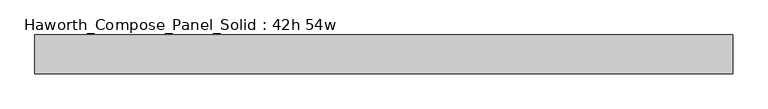
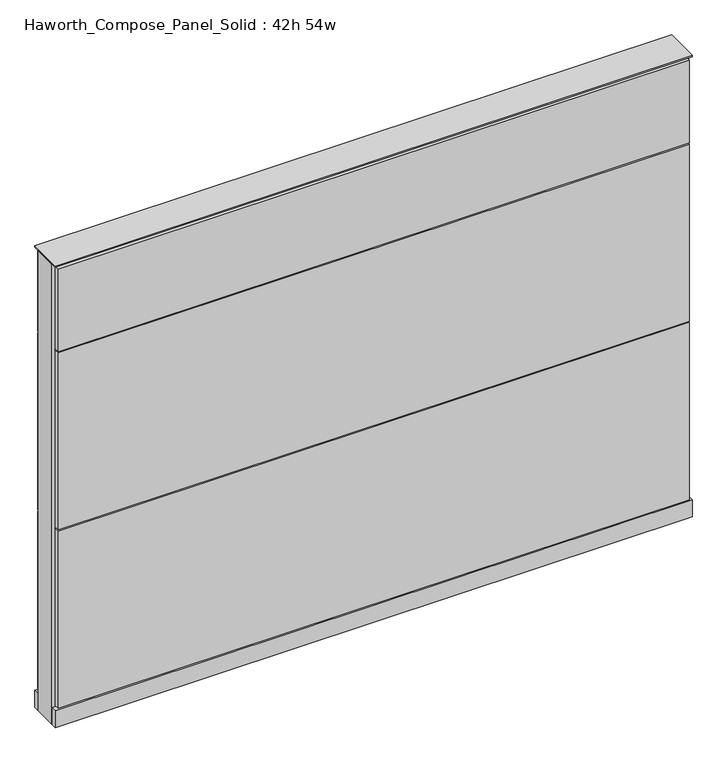
"""IFC4 building model written with IfcOpenShell, lengths in millimetres: furniture geometry, Haworth_Compose_Panel_Solid : 42h 54w."""

from ifc_helpers import new_model, si_unit, point, frame, frame_2d, origin, origin_with_axes, place, context, project, spatial, polyline, circle_curve, trimmed, segment, composite_curve, outline, extrude, source, transform, mapped, element, save


def haworth_compose_panel_solid_42h_54w_6c2d6090(model_context):
    return source(origin(), model_context, "Body", "SweptSolid", [
        extrude(outline(composite_curve([segment(trimmed(circle_curve(frame_2d((-607.1597098, 0.0)), 12.7), [point((-619.8597098, 0.0))], [point((-594.4597098, 0.0))], False, "CARTESIAN"), True, "CONTINUOUS"), segment(trimmed(circle_curve(frame_2d((-607.1597098, 0.0)), 12.7), [point((-594.4597098, 0.0))], [point((-619.8597098, 0.0))], False, "CARTESIAN"), True, "CONTINUOUS")], self_intersect=False)), origin_with_axes(), (0.0, 0.0, 1.0), 12.7),
        extrude(outline(composite_curve([segment(trimmed(circle_curve(frame_2d((612.0402902, 0.0)), 12.7), [point((599.3402902, 0.0))], [point((624.7402902, 0.0))], False, "CARTESIAN"), True, "CONTINUOUS"), segment(trimmed(circle_curve(frame_2d((612.0402902, 0.0)), 12.7), [point((624.7402902, 0.0))], [point((599.3402902, 0.0))], False, "CARTESIAN"), True, "CONTINUOUS")], self_intersect=False)), origin_with_axes(), (0.0, 0.0, 1.0), 12.7),
        extrude(outline(polyline([(681.8902902, 38.1), (681.8902902, 25.4), (-677.0097098, 25.4), (-677.0097098, 38.1), (681.8902902, 38.1)])), frame((0.0, 0.0, 866.775), z_axis=(0.0, 0.0, 1.0), x_axis=(1.0, 0.0, 0.0)), (0.0, 0.0, 1.0), 187.325),
        extrude(outline(polyline([(681.8902902, 38.1), (681.8902902, 25.4), (-677.0097098, 25.4), (-677.0097098, 38.1), (681.8902902, 38.1)])), frame((0.0, 0.0, 460.375), z_axis=(0.0, 0.0, 1.0), x_axis=(1.0, 0.0, 0.0)), (0.0, 0.0, 1.0), 403.225),
        extrude(outline(polyline([(681.8902902, 38.1), (681.8902902, 25.4), (-677.0097098, 25.4), (-677.0097098, 38.1), (681.8902902, 38.1)])), frame((0.0, 0.0, 53.975), z_axis=(0.0, 0.0, 1.0), x_axis=(1.0, 0.0, 0.0)), (0.0, 0.0, 1.0), 403.225),
        extrude(outline(polyline([(681.8902902, -38.1), (-677.0097098, -38.1), (-677.0097098, -25.4), (681.8902902, -25.4), (681.8902902, -38.1)])), frame((0.0, 0.0, 866.775), z_axis=(0.0, 0.0, 1.0), x_axis=(1.0, 0.0, 0.0)), (0.0, 0.0, 1.0), 187.325),
        extrude(outline(polyline([(681.8902902, -38.1), (-677.0097098, -38.1), (-677.0097098, -25.4), (681.8902902, -25.4), (681.8902902, -38.1)])), frame((0.0, 0.0, 460.375), z_axis=(0.0, 0.0, 1.0), x_axis=(1.0, 0.0, 0.0)), (0.0, 0.0, 1.0), 403.225),
        extrude(outline(polyline([(681.8902902, -38.1), (-677.0097098, -38.1), (-677.0097098, -25.4), (681.8902902, -25.4), (681.8902902, -38.1)])), frame((0.0, 0.0, 53.975), z_axis=(0.0, 0.0, 1.0), x_axis=(1.0, 0.0, 0.0)), (0.0, 0.0, 1.0), 403.225),
        extrude(outline(polyline([(688.2402902, 25.4), (688.2402902, -25.4), (-683.3597098, -25.4), (-683.3597098, 25.4), (688.2402902, 25.4)])), frame((0.0, 0.0, 12.7), z_axis=(0.0, 0.0, 1.0), x_axis=(1.0, 0.0, 0.0)), (0.0, 0.0, 1.0), 1047.75),
        extrude(outline(polyline([(-683.3597098, -38.1), (-683.3597098, 38.1), (688.2402902, 38.1), (688.2402902, -38.1), (-683.3597098, -38.1)])), frame((0.0, 0.0, 12.7), z_axis=(0.0, 0.0, 1.0), x_axis=(1.0, 0.0, 0.0)), (0.0, 0.0, 1.0), 38.1),
        extrude(outline(polyline([(-683.3597098, -38.1), (-683.3597098, 38.1), (688.2402902, 38.1), (688.2402902, -38.1), (-683.3597098, -38.1)])), frame((0.0, 0.0, 1060.45), z_axis=(0.0, 0.0, 1.0), x_axis=(1.0, 0.0, 0.0)), (0.0, 0.0, 1.0), 3.175),
    ])


if __name__ == "__main__":
    model = new_model("IFC4")
    model_context = context("Model", 3, world=origin())
    ifc_project = project(units=[si_unit("LENGTHUNIT", "METRE", prefix="MILLI")], contexts=[model_context])
    site = spatial("IfcSite", under=ifc_project)
    building = spatial("IfcBuilding", under=site)
    placement = place(None, origin())
    haworth_compose_panel_solid_42h_54w_shape = haworth_compose_panel_solid_42h_54w_6c2d6090(model_context)
    element("IfcFurniture", 1, ObjectType="Haworth_Compose_Panel_Solid : 42h 54w", at=placement, inside=building, context=model_context, shape_type="MappedRepresentation", body=[
        mapped(haworth_compose_panel_solid_42h_54w_shape, transform((0.0, 0.0, 0.0), x_axis=(1.0, 0.0, 0.0), y_axis=(0.0, 1.0, 0.0), z_axis=(0.0, 0.0, 1.0))),
    ])
    save(model, "model.ifc")
